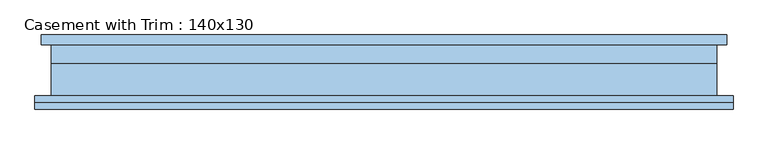
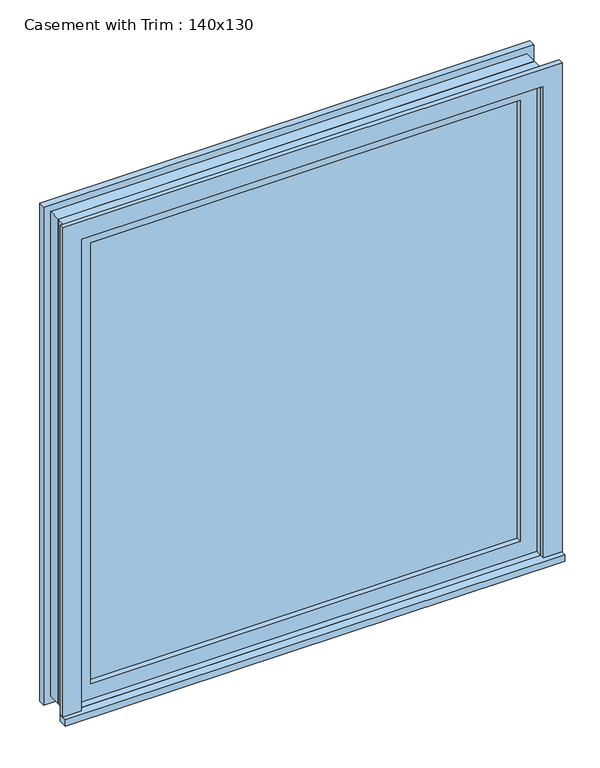
"""IFC4 building model written with IfcOpenShell, lengths in millimetres: window geometry, Casement with Trim : 140x130."""

from ifc_helpers import new_model, si_unit, frame, origin, place, context, project, spatial, polyline, outline, extrude, source, transform, mapped, element, save


def casement_with_trim_140x130_5df0449c(model_context):
    return source(origin(), model_context, "Body", "SweptSolid", [
        extrude(outline(polyline([(-681.75, -75.4), (-681.75, -50.0), (681.75, -50.0), (681.75, -75.4), (-681.75, -75.4)])), frame((0.0, 0.0, 914.4), z_axis=(0.0, 0.0, 1.0), x_axis=(1.0, 0.0, 0.0)), (0.0, 0.0, 1.0), 19.05),
        extrude(outline(polyline([(2295.35, -630.95), (2295.35, 630.95), (933.45, 630.95), (933.45, 681.75), (2346.15, 681.75), (2346.15, -681.75), (933.45, -681.75), (933.45, -630.95), (2295.35, -630.95)])), frame((0.0, -62.7, 0.0), z_axis=(0.0, 1.0, 0.0), x_axis=(0.0, 0.0, 1.0)), (0.0, 0.0, 1.0), 12.7),
        extrude(outline(polyline([(2333.45, 669.05), (2333.45, -669.05), (895.35, -669.05), (895.35, 669.05), (2333.45, 669.05)]), holes=[polyline([(2282.65, 618.25), (946.15, 618.25), (946.15, -618.25), (2282.65, -618.25), (2282.65, 618.25)])]), frame((0.0, 50.0, 0.0), z_axis=(0.0, 1.0, 0.0), x_axis=(0.0, 0.0, 1.0)), (0.0, 0.0, 1.0), 19.05),
        extrude(outline(polyline([(586.5, -2.375), (586.5, -15.075), (-586.5, -15.075), (-586.5, -2.375), (586.5, -2.375)])), frame((0.0, 0.0, 977.9), z_axis=(0.0, 0.0, 1.0), x_axis=(1.0, 0.0, 0.0)), (0.0, 0.0, 1.0), 1273.0),
        extrude(outline(polyline([(2295.35, -630.95), (933.45, -630.95), (933.45, 630.95), (2295.35, 630.95), (2295.35, -630.95)]), holes=[polyline([(2250.9, -586.5), (2250.9, 586.5), (977.9, 586.5), (977.9, -586.5), (2250.9, -586.5)])]), frame((0.0, -30.95, 0.0), z_axis=(0.0, 1.0, 0.0), x_axis=(0.0, 0.0, 1.0)), (0.0, 0.0, 1.0), 44.45),
        extrude(outline(polyline([(2314.4, -650.0), (914.4, -650.0), (914.4, 650.0), (2314.4, 650.0), (2314.4, -650.0)]), holes=[polyline([(2282.65, -618.25), (2282.65, 618.25), (946.15, 618.25), (946.15, -618.25), (2282.65, -618.25)])]), frame((0.0, 13.5, 0.0), z_axis=(0.0, 1.0, 0.0), x_axis=(0.0, 0.0, 1.0)), (0.0, 0.0, 1.0), 36.5),
        extrude(outline(polyline([(2314.4, 650.0), (2314.4, -650.0), (914.4, -650.0), (914.4, 650.0), (2314.4, 650.0)]), holes=[polyline([(2295.35, 630.95), (933.45, 630.95), (933.45, -630.95), (2295.35, -630.95), (2295.35, 630.95)])]), frame((0.0, -50.0, 0.0), z_axis=(0.0, 1.0, 0.0), x_axis=(0.0, 0.0, 1.0)), (0.0, 0.0, 1.0), 63.5),
    ])


if __name__ == "__main__":
    model = new_model("IFC4")
    model_context = context("Model", 3, world=origin())
    ifc_project = project(units=[si_unit("LENGTHUNIT", "METRE", prefix="MILLI")], contexts=[model_context])
    site = spatial("IfcSite", under=ifc_project)
    building = spatial("IfcBuilding", under=site)
    placement = place(None, origin())
    casement_with_trim_140x130_shape = casement_with_trim_140x130_5df0449c(model_context)
    element("IfcWindow", 1, ObjectType="Casement with Trim : 140x130", at=placement, inside=building, context=model_context, shape_type="MappedRepresentation", body=[
        mapped(casement_with_trim_140x130_shape, transform((0.0, 0.0, 0.0), x_axis=(1.0, 0.0, 0.0), y_axis=(0.0, 1.0, 0.0), z_axis=(0.0, 0.0, 1.0))),
    ])
    save(model, "model.ifc")
